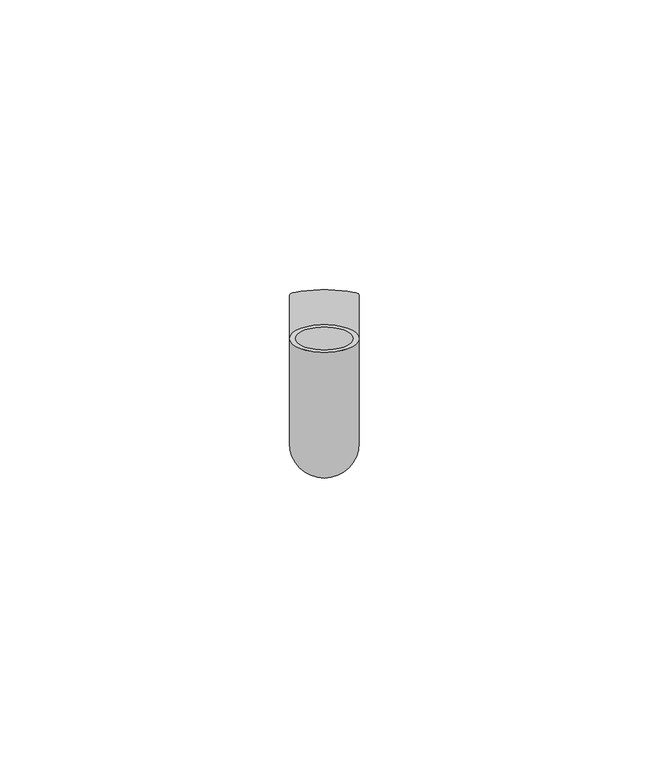
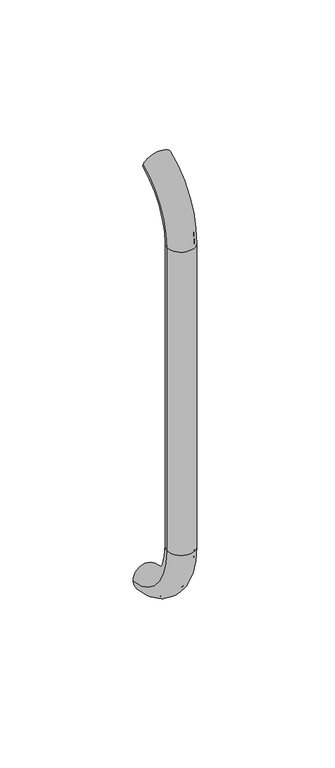
"""IFC4 building model written with IfcOpenShell, lengths in millimetres: beam geometry."""

from ifc_helpers import new_model, si_unit, point, frame, origin, place, context, project, spatial, polyline, circle_curve, ellipse_curve, trimmed, source, transform, mapped, element, save
from ifc_brep_helpers import plane_surface, cylinder_surface, revolved_surface, advanced_brep


def beam_d1fb0269(model_context):
    return source(origin(), model_context, "Body", "AdvancedBrep", [
        advanced_brep(
        [(5711.372509, 2444.0395554, 1993.7787656), (5723.372509, 2444.0395554, 1993.7787656), (5712.372509, 2444.0395554, 1993.7787656), (5722.372509, 2444.0395554, 1993.7787656), (5722.372509, 2425.9629385, 1966.25), (5712.372509, 2425.9629385, 1966.25), (5723.372509, 2425.9629385, 1966.25), (5711.372509, 2425.9629385, 1966.25), (5712.372509, 2425.9629385, 1826.25), (5722.372509, 2425.9629385, 1826.25), (5711.372509, 2425.9629385, 1826.25), (5723.372509, 2425.9629385, 1826.25), (5711.372509, 2451.5825147, 1796.5715249), (5723.372509, 2451.5825147, 1796.5715249), (5712.372509, 2451.5825147, 1796.5715249), (5722.372509, 2451.5825147, 1796.5715249)],
        [
            (0, 1, circle_curve(frame((5717.372509, 2444.0395554, 1993.7787656), z_axis=(0.0, 0.9176255197351176, 0.3974461039321624), x_axis=(1.0, 0.0, 0.0)), 6.0)),
            (1, 0, circle_curve(frame((5717.372509, 2444.0395554, 1993.7787656), z_axis=(0.0, 0.9176255197351176, 0.3974461039321624), x_axis=(1.0, 0.0, 0.0)), 6.0)),
            (2, 3, circle_curve(frame((5717.372509, 2444.0395554, 1993.7787656), z_axis=(0.0, -0.9176255197351176, -0.3974461039321624), x_axis=(1.0, 0.0, 0.0)), 5.0)),
            (3, 2, circle_curve(frame((5717.372509, 2444.0395554, 1993.7787656), z_axis=(0.0, -0.9176255197351176, -0.3974461039321624), x_axis=(1.0, 0.0, 0.0)), 5.0)),
            (4, 3, circle_curve(frame((5722.372509, 2455.9629385, 1966.25), z_axis=(-1.0, 0.0, 0.0), x_axis=(0.0, -0.3974461039321624, 0.9176255197351176)), 30.0)),
            (2, 5, circle_curve(frame((5712.372509, 2455.9629385, 1966.25), z_axis=(1.0, 0.0, 0.0), x_axis=(0.0, -0.3974461039321624, 0.9176255197351176)), 30.0)),
            (5, 4, circle_curve(frame((5717.372509, 2425.9629385, 1966.25), z_axis=(0.0, 0.0, -1.0), x_axis=(1.0, 0.0, 0.0)), 5.0)),
            (4, 5, circle_curve(frame((5717.372509, 2425.9629385, 1966.25), z_axis=(0.0, 0.0, -1.0), x_axis=(1.0, 0.0, 0.0)), 5.0)),
            (6, 1, circle_curve(frame((5723.372509, 2455.9629385, 1966.25), z_axis=(-1.0, 0.0, 0.0), x_axis=(0.0, -0.3974461039321624, 0.9176255197351176)), 30.0)),
            (0, 7, circle_curve(frame((5711.372509, 2455.9629385, 1966.25), z_axis=(1.0, 0.0, 0.0), x_axis=(0.0, -0.3974461039321624, 0.9176255197351176)), 30.0)),
            (7, 6, circle_curve(frame((5717.372509, 2425.9629385, 1966.25), z_axis=(0.0, 0.0, 1.0), x_axis=(1.0, 0.0, 0.0)), 6.0)),
            (6, 7, circle_curve(frame((5717.372509, 2425.9629385, 1966.25), z_axis=(0.0, 0.0, 1.0), x_axis=(1.0, 0.0, 0.0)), 6.0)),
            (5, 8),
            (8, 9, circle_curve(frame((5717.372509, 2425.9629385, 1826.25), z_axis=(0.0, 0.0, -1.0), x_axis=(1.0, 0.0, 0.0)), 5.0)),
            (9, 4),
            (9, 8, circle_curve(frame((5717.372509, 2425.9629385, 1826.25), z_axis=(0.0, 0.0, -1.0), x_axis=(1.0, 0.0, 0.0)), 5.0)),
            (7, 10),
            (10, 11, circle_curve(frame((5717.372509, 2425.9629385, 1826.25), z_axis=(0.0, 0.0, 1.0), x_axis=(1.0, 0.0, 0.0)), 6.0)),
            (11, 6),
            (11, 10, circle_curve(frame((5717.372509, 2425.9629385, 1826.25), z_axis=(0.0, 0.0, 1.0), x_axis=(1.0, 0.0, 0.0)), 6.0)),
            (12, 13, circle_curve(frame((5717.372509, 2451.5825147, 1796.5715249), z_axis=(0.0, 0.9892825047438852, -0.14601412879466394), x_axis=(1.0, 0.0, 0.0)), 6.0)),
            (13, 12, circle_curve(frame((5717.372509, 2451.5825147, 1796.5715249), z_axis=(0.0, 0.9892825047438852, -0.14601412879466394), x_axis=(1.0, 0.0, 0.0)), 6.0)),
            (14, 15, circle_curve(frame((5717.372509, 2451.5825147, 1796.5715249), z_axis=(0.0, -0.9892825047438852, 0.14601412879466394), x_axis=(1.0, 0.0, 0.0)), 5.0)),
            (15, 14, circle_curve(frame((5717.372509, 2451.5825147, 1796.5715249), z_axis=(0.0, -0.9892825047438852, 0.14601412879466394), x_axis=(1.0, 0.0, 0.0)), 5.0)),
            (15, 9, circle_curve(frame((5722.372509, 2455.9629385, 1826.25), z_axis=(-1.0, 0.0, 0.0), x_axis=(0.0, -1.0, 0.0)), 30.0)),
            (8, 14, circle_curve(frame((5712.372509, 2455.9629385, 1826.25), z_axis=(1.0, 0.0, 0.0), x_axis=(0.0, -1.0, 0.0)), 30.0)),
            (13, 11, circle_curve(frame((5723.372509, 2455.9629385, 1826.25), z_axis=(-1.0, 0.0, 0.0), x_axis=(0.0, -1.0, 0.0)), 30.0)),
            (10, 12, circle_curve(frame((5711.372509, 2455.9629385, 1826.25), z_axis=(1.0, 0.0, 0.0), x_axis=(0.0, -1.0, 0.0)), 30.0)),
        ],
        [
            plane_surface(frame((5717.372509, 2444.0395554, 1993.7787656), z_axis=(0.0, 0.9176255197351176, 0.3974461039321624), x_axis=(1.0, 0.0, 0.0))),
            revolved_surface(trimmed(ellipse_curve(frame((5717.372509, 2444.0395554, 1993.7787656), z_axis=(0.0, -0.9176255197351176, -0.3974461039321624), x_axis=(1.0, 0.0, 0.0)), 5.0, 5.0), [point((5712.372509, 2444.0395554, 1993.7787656))], [point((5722.372509, 2444.0395554, 1993.7787656))], True, "CARTESIAN"), (5717.372509, 2455.9629385, 1966.25), (1.0, 0.0, 0.0)),
            revolved_surface(trimmed(ellipse_curve(frame((5717.372509, 2444.0395554, 1993.7787656), z_axis=(0.0, -0.9176255197351176, -0.3974461039321624), x_axis=(1.0, 0.0, 0.0)), 5.0, 5.0), [point((5722.372509, 2444.0395554, 1993.7787656))], [point((5712.372509, 2444.0395554, 1993.7787656))], True, "CARTESIAN"), (5717.372509, 2455.9629385, 1966.25), (1.0, 0.0, 0.0)),
            revolved_surface(trimmed(ellipse_curve(frame((5717.372509, 2444.0395554, 1993.7787656), z_axis=(0.0, 0.9176255197351176, 0.3974461039321624), x_axis=(1.0, 0.0, 0.0)), 6.0, 6.0), [point((5711.372509, 2444.0395554, 1993.7787656))], [point((5723.372509, 2444.0395554, 1993.7787656))], True, "CARTESIAN"), (5717.372509, 2455.9629385, 1966.25), (1.0, 0.0, 0.0)),
            revolved_surface(trimmed(ellipse_curve(frame((5717.372509, 2444.0395554, 1993.7787656), z_axis=(0.0, 0.9176255197351176, 0.3974461039321624), x_axis=(1.0, 0.0, 0.0)), 6.0, 6.0), [point((5723.372509, 2444.0395554, 1993.7787656))], [point((5711.372509, 2444.0395554, 1993.7787656))], True, "CARTESIAN"), (5717.372509, 2455.9629385, 1966.25), (1.0, 0.0, 0.0)),
            revolved_surface(polyline([(5722.372509, 2425.9629385, 1826.25), (5722.372509, 2425.9629385, 1966.25)]), (5717.372509, 2425.9629385, 1966.25), (0.0, 0.0, -1.0)),
            cylinder_surface(frame((5717.372509, 2425.9629385, 1966.25), z_axis=(0.0, 0.0, 1.0), x_axis=(1.0, 0.0, 0.0)), 6.0),
            plane_surface(frame((5717.372509, 2451.5825147, 1796.5715249), z_axis=(0.0, 0.9892825047438852, -0.14601412879466397), x_axis=(1.0, 0.0, 0.0))),
            revolved_surface(trimmed(ellipse_curve(frame((5717.372509, 2425.9629385, 1826.25), z_axis=(0.0, 0.0, -1.0), x_axis=(1.0, 0.0, 0.0)), 5.0, 5.0), [point((5712.372509, 2425.9629385, 1826.25))], [point((5722.372509, 2425.9629385, 1826.25))], True, "CARTESIAN"), (5717.372509, 2455.9629385, 1826.25), (1.0, 0.0, 0.0)),
            revolved_surface(trimmed(ellipse_curve(frame((5717.372509, 2425.9629385, 1826.25), z_axis=(0.0, 0.0, -1.0), x_axis=(1.0, 0.0, 0.0)), 5.0, 5.0), [point((5722.372509, 2425.9629385, 1826.25))], [point((5712.372509, 2425.9629385, 1826.25))], True, "CARTESIAN"), (5717.372509, 2455.9629385, 1826.25), (1.0, 0.0, 0.0)),
            revolved_surface(trimmed(ellipse_curve(frame((5717.372509, 2425.9629385, 1826.25), z_axis=(0.0, 0.0, 1.0), x_axis=(1.0, 0.0, 0.0)), 6.0, 6.0), [point((5711.372509, 2425.9629385, 1826.25))], [point((5723.372509, 2425.9629385, 1826.25))], True, "CARTESIAN"), (5717.372509, 2455.9629385, 1826.25), (1.0, 0.0, 0.0)),
            revolved_surface(trimmed(ellipse_curve(frame((5717.372509, 2425.9629385, 1826.25), z_axis=(0.0, 0.0, 1.0), x_axis=(1.0, 0.0, 0.0)), 6.0, 6.0), [point((5723.372509, 2425.9629385, 1826.25))], [point((5711.372509, 2425.9629385, 1826.25))], True, "CARTESIAN"), (5717.372509, 2455.9629385, 1826.25), (1.0, 0.0, 0.0)),
        ],
        [
            (0, [[1, 2], [3, 4]]),
            (1, [[5, -3, 6, 7]]),
            (2, [[-6, -4, -5, 8]]),
            (3, [[9, -1, 10, 11]]),
            (4, [[-10, -2, -9, 12]]),
            (5, [[-7, 13, 14, 15]]),
            (5, [[-8, -15, 16, -13]]),
            (6, [[-11, 17, 18, 19]]),
            (6, [[-12, -19, 20, -17]]),
            (7, [[21, 22], [23, 24]]),
            (8, [[25, -14, 26, -24]]),
            (9, [[-26, -16, -25, -23]]),
            (10, [[27, -18, 28, -22]]),
            (11, [[-28, -20, -27, -21]]),
        ],
    ),
    ])


if __name__ == "__main__":
    model = new_model("IFC4")
    model_context = context("Model", 3, world=origin())
    ifc_project = project(units=[si_unit("LENGTHUNIT", "METRE", prefix="MILLI")], contexts=[model_context])
    site = spatial("IfcSite", under=ifc_project)
    building = spatial("IfcBuilding", under=site)
    placement = place(None, origin())
    beam_shape = beam_d1fb0269(model_context)
    element("IfcBeam", 1, at=placement, inside=building, context=model_context, shape_type="MappedRepresentation", body=[
        mapped(beam_shape, transform((0.0, 0.0, 0.0), x_axis=(1.0, 0.0, 0.0), y_axis=(0.0, 1.0, 0.0), z_axis=(0.0, 0.0, 1.0))),
    ])
    save(model, "model.ifc")
